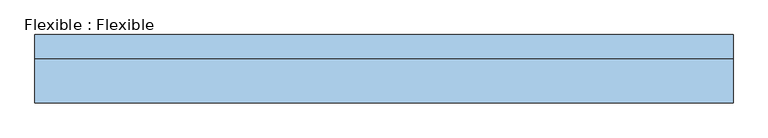
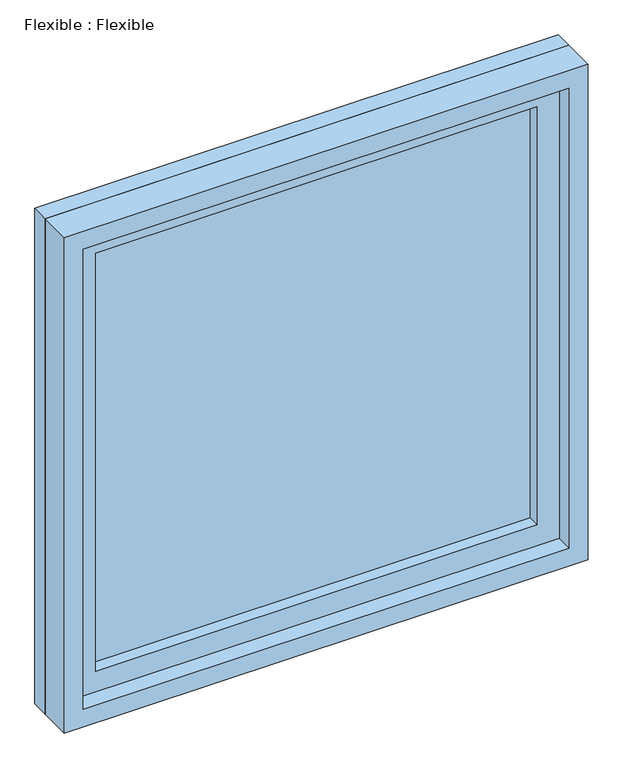
"""IFC4 building model written with IfcOpenShell, lengths in millimetres: window geometry, Flexible : Flexible."""

from ifc_helpers import new_model, si_unit, frame, origin, place, context, project, spatial, polyline, outline, extrude, source, transform, mapped, element, save


def flexible_flexible_87f7da58(model_context):
    return source(origin(), model_context, "Body", "SweptSolid", [
        extrude(outline(polyline([(1054.0, -546.0), (1054.0, 546.0), (2146.0, 546.0), (2146.0, -546.0), (1054.0, -546.0)]), holes=[polyline([(2096.0, -496.0), (2096.0, 496.0), (1104.0, 496.0), (1104.0, -496.0), (2096.0, -496.0)])]), frame((0.0, -79.5, 0.0), z_axis=(0.0, 1.0, 0.0), x_axis=(0.0, 0.0, 1.0)), (0.0, 0.0, 1.0), 57.0),
        extrude(outline(polyline([(1054.0, -546.0), (1054.0, 546.0), (2146.0, 546.0), (2146.0, -546.0), (1054.0, -546.0)]), holes=[polyline([(2096.0, -496.0), (2096.0, 496.0), (1104.0, 496.0), (1104.0, -496.0), (2096.0, -496.0)])]), frame((0.0, -43.5, 0.0), z_axis=(0.0, 1.0, 0.0), x_axis=(0.0, 0.0, 1.0)), (0.0, 0.0, 1.0), 36.0),
        extrude(outline(polyline([(1012.0, -588.0), (1012.0, 588.0), (2188.0, 588.0), (2188.0, -588.0), (1012.0, -588.0)]), holes=[polyline([(2146.0, -546.0), (2146.0, 546.0), (1054.0, 546.0), (1054.0, -546.0), (2146.0, -546.0)])]), frame((0.0, -117.5, 0.0), z_axis=(0.0, 1.0, 0.0), x_axis=(0.0, 0.0, 1.0)), (0.0, 0.0, 1.0), 74.0),
        extrude(outline(polyline([(1012.0, -588.0), (1012.0, 588.0), (2188.0, 588.0), (2188.0, -588.0), (1012.0, -588.0)]), holes=[polyline([(2146.0, -546.0), (2146.0, 546.0), (1054.0, 546.0), (1054.0, -546.0), (2146.0, -546.0)])]), frame((0.0, -43.5, 0.0), z_axis=(0.0, 1.0, 0.0), x_axis=(0.0, 0.0, 1.0)), (0.0, 0.0, 1.0), 41.0),
        extrude(outline(polyline([(496.0, -22.5), (496.0, -52.5), (-496.0, -52.5), (-496.0, -22.5), (496.0, -22.5)])), frame((0.0, 0.0, 1104.0), z_axis=(0.0, 0.0, 1.0), x_axis=(1.0, 0.0, 0.0)), (0.0, 0.0, 1.0), 992.0),
    ])


if __name__ == "__main__":
    model = new_model("IFC4")
    model_context = context("Model", 3, world=origin())
    ifc_project = project(units=[si_unit("LENGTHUNIT", "METRE", prefix="MILLI")], contexts=[model_context])
    site = spatial("IfcSite", under=ifc_project)
    building = spatial("IfcBuilding", under=site)
    placement = place(None, origin())
    flexible_flexible_shape = flexible_flexible_87f7da58(model_context)
    element("IfcWindow", 1, ObjectType="Flexible : Flexible", at=placement, inside=building, context=model_context, shape_type="MappedRepresentation", body=[
        mapped(flexible_flexible_shape, transform((0.0, 0.0, 0.0), x_axis=(1.0, 0.0, 0.0), y_axis=(0.0, 1.0, 0.0), z_axis=(0.0, 0.0, 1.0))),
    ])
    save(model, "model.ifc")
